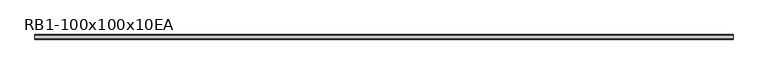
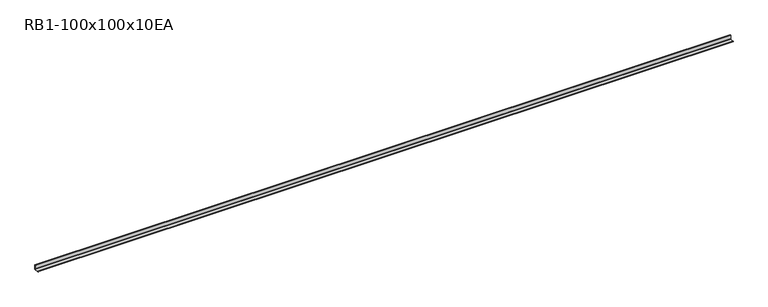
"""IFC4 building model written with IfcOpenShell, lengths in millimetres: member geometry, RB1-100x100x10EA."""

import ifcopenshell
import ifcopenshell.guid

model = None  # the IFC model being written
_history = None  # IfcOwnerHistory: only IFC2X3 demands one
_inside = {}  # id of a spatial element -> (the spatial element, [elements in it])
_under = {}  # id of a project, library or spatial element -> (it, [spatial elements below it])
_declared = {}  # id of a project -> (the project, [libraries it declares])
_typed = {}  # id of a type object -> (the type object, [elements of that type])
_made_of = {}  # id of a material, layer set ... -> (it, [elements and type objects made of it])


def new_model(schema):
    """Start an empty IFC model of exactly this schema.

    Asked for "IFC4X3", IfcOpenShell would pick the latest addendum, in which some entities
    have other attributes; the version numbers below select the first issue.
    IFC2X3 requires an IfcOwnerHistory on every rooted entity: one is made here for all.
    """
    global model, _history
    if schema == "IFC4X3":
        model = ifcopenshell.file(schema_version=(4, 3, 0, 0))
    else:
        model = ifcopenshell.file(schema=schema)
    _inside.clear()
    _under.clear()
    _declared.clear()
    _typed.clear()
    _made_of.clear()
    _history = None
    if model.schema == "IFC2X3":
        org = make("IfcOrganization", Name="unknown")
        user = make(
            "IfcPersonAndOrganization",
            ThePerson=make("IfcPerson", FamilyName="unknown"),
            TheOrganization=org,
        )
        app = make(
            "IfcApplication",
            ApplicationDeveloper=org,
            Version="unknown",
            ApplicationFullName="unknown",
            ApplicationIdentifier="unknown",
        )
        _history = make(
            "IfcOwnerHistory",
            OwningUser=user,
            OwningApplication=app,
            ChangeAction="ADDED",
            CreationDate=0,
        )
    return model


def make(cls, **values):
    """One entity of the class cls with the attributes given. An attribute that is None is left unset."""
    return model.create_entity(
        cls, **{name: value for name, value in values.items() if value is not None}
    )


def rooted(cls, **values):
    """An entity with a GlobalId (a new one), such as an element, a storey or a relation."""
    return make(cls, GlobalId=ifcopenshell.guid.new(), OwnerHistory=_history, **values)


def si_unit(unit_type, name, prefix=None):
    """IfcSIUnit, for example si_unit("LENGTHUNIT", "METRE", prefix="MILLI")."""
    return make("IfcSIUnit", UnitType=unit_type, Prefix=prefix, Name=name)


def assignment(units):
    """IfcUnitAssignment: the units of a project."""
    return None if units is None else make("IfcUnitAssignment", Units=units)


def point(xyz):
    """IfcCartesianPoint."""
    return None if xyz is None else make("IfcCartesianPoint", Coordinates=xyz)


def direction(xyz):
    """IfcDirection."""
    return None if xyz is None else make("IfcDirection", DirectionRatios=xyz)


def frame(location, z_axis=None, x_axis=None):
    """IfcAxis2Placement3D, a coordinate frame: its origin and axes. An axis left out is left unset."""
    return make(
        "IfcAxis2Placement3D",
        Location=point(location),
        Axis=direction(z_axis),
        RefDirection=direction(x_axis),
    )


def frame_2d(location, x_axis=None):
    """IfcAxis2Placement2D, a coordinate frame in the plane: its origin and x axis."""
    return make(
        "IfcAxis2Placement2D", Location=point(location), RefDirection=direction(x_axis)
    )


def origin():
    """The frame at (0, 0, 0) with its axes left unset."""
    return frame((0.0, 0.0, 0.0))


def place(relative_to, where):
    """IfcLocalPlacement: puts the frame where relative to a parent placement (None: the world)."""
    return make(
        "IfcLocalPlacement", PlacementRelTo=relative_to, RelativePlacement=where
    )


def context(
    kind, dimensions, precision=None, world=None, true_north=None, identifier=None
):
    """IfcGeometricRepresentationContext, for example the 3D "Model" context."""
    return make(
        "IfcGeometricRepresentationContext",
        ContextIdentifier=identifier,
        ContextType=kind,
        CoordinateSpaceDimension=dimensions,
        Precision=precision,
        WorldCoordinateSystem=world,
        TrueNorth=true_north,
    )


def project(units=None, contexts=None):
    """IfcProject with its units and contexts."""
    return rooted(
        "IfcProject",
        Name="project",
        RepresentationContexts=contexts,
        UnitsInContext=assignment(units),
    )


def spatial(cls, under=None, at=None, **own):
    """A site, building, storey or space (cls), placed at a placement, below another one or the project."""
    s = rooted(cls, ObjectPlacement=at, **own)
    if under is not None:
        _under.setdefault(under.id(), (under, []))[1].append(s)
    return s


def polyline(points):
    """IfcPolyline through the points."""
    return make("IfcPolyline", Points=[point(p) for p in points])


def circle_curve(where, radius):
    """IfcCircle in the frame where."""
    return make("IfcCircle", Position=where, Radius=radius)


def trimmed(basis, trim1, trim2, sense, master):
    """IfcTrimmedCurve: the piece of a basis curve between two trims."""
    return make(
        "IfcTrimmedCurve",
        BasisCurve=basis,
        Trim1=trim1,
        Trim2=trim2,
        SenseAgreement=sense,
        MasterRepresentation=master,
    )


def segment(curve, same_sense, transition):
    """IfcCompositeCurveSegment."""
    return make(
        "IfcCompositeCurveSegment",
        Transition=transition,
        SameSense=same_sense,
        ParentCurve=curve,
    )


def composite_curve(segments, self_intersect=None):
    """IfcCompositeCurve: segments joined end to end."""
    return make("IfcCompositeCurve", Segments=segments, SelfIntersect=self_intersect)


def outline(outer, holes=None, kind="AREA"):
    """IfcArbitraryClosedProfileDef: a profile drawn as a closed curve; with holes, ...WithVoids."""
    if holes is None:
        return make("IfcArbitraryClosedProfileDef", ProfileType=kind, OuterCurve=outer)
    return make(
        "IfcArbitraryProfileDefWithVoids",
        ProfileType=kind,
        OuterCurve=outer,
        InnerCurves=holes,
    )


def extrude(swept, where, along, depth):
    """IfcExtrudedAreaSolid: the profile swept, set in the frame where, extruded along a direction by depth."""
    return make(
        "IfcExtrudedAreaSolid",
        SweptArea=swept,
        Position=where,
        ExtrudedDirection=direction(along),
        Depth=depth,
    )


def shape(context_of_items, identifier, shape_type, items):
    """IfcShapeRepresentation: the items that make up one representation, for example the "Body"."""
    return make(
        "IfcShapeRepresentation",
        ContextOfItems=context_of_items,
        RepresentationIdentifier=identifier,
        RepresentationType=shape_type,
        Items=items,
    )


def source(mapping_origin, context_of_items, identifier, shape_type, items):
    """IfcRepresentationMap: a shape defined once, which mapped items show again and again."""
    return make(
        "IfcRepresentationMap",
        MappingOrigin=mapping_origin,
        MappedRepresentation=shape(context_of_items, identifier, shape_type, items),
    )


def transform(
    local_origin,
    x_axis=None,
    y_axis=None,
    z_axis=None,
    scale=None,
    scale2=None,
    scale3=None,
    uniform=True,
):
    """IfcCartesianTransformationOperator3D, or its non-uniform kind. x_axis, y_axis, z_axis: its Axis1, 2, 3."""
    if uniform:
        return make(
            "IfcCartesianTransformationOperator3D",
            Axis1=direction(x_axis),
            Axis2=direction(y_axis),
            LocalOrigin=point(local_origin),
            Scale=scale,
            Axis3=direction(z_axis),
        )
    return make(
        "IfcCartesianTransformationOperator3DnonUniform",
        Axis1=direction(x_axis),
        Axis2=direction(y_axis),
        LocalOrigin=point(local_origin),
        Scale=scale,
        Axis3=direction(z_axis),
        Scale2=scale2,
        Scale3=scale3,
    )


def mapped(mapping_source, mapping_target):
    """IfcMappedItem: shows the shape of a source again, moved by a transform."""
    return make(
        "IfcMappedItem", MappingSource=mapping_source, MappingTarget=mapping_target
    )


def made_of(thing, what):
    """Note that an element or type object is made of a material, layer set ...; save() writes the relation."""
    if what is not None:
        _made_of.setdefault(what.id(), (what, []))[1].append(thing)
    return thing


def element(
    cls,
    number,
    at=None,
    inside=None,
    cuts=None,
    type_object=None,
    material=None,
    context=None,
    identifier="Body",
    shape_type=None,
    held_by="IfcProductDefinitionShape",
    body=None,
    shapes=None,
    **own,
):
    """One element of the class cls, such as IfcWall. Its Tag is "e" and its number.

    at: its placement. inside: the storey or other place that contains it. cuts: it is an
    opening in that element (IfcRelVoidsElement). A single representation is given by context,
    identifier, shape_type and body (its items); several are given by shapes. held_by: the class
    of the entity that holds the representations. save() writes the other relations.
    """
    e = rooted(cls, Tag="e%d" % number, ObjectPlacement=at, **own)
    if body is not None:
        shapes = [shape(context, identifier, shape_type, body)]
    if shapes is not None:
        e.Representation = make(held_by, Representations=shapes)
    if inside is not None:
        _inside.setdefault(inside.id(), (inside, []))[1].append(e)
    if cuts is not None:
        rooted(
            "IfcRelVoidsElement", RelatingBuildingElement=cuts, RelatedOpeningElement=e
        )
    if type_object is not None:
        _typed.setdefault(type_object.id(), (type_object, []))[1].append(e)
    return made_of(e, material)


def aggregate(whole, parts):
    """IfcRelAggregates: a whole, such as a stair, and the parts it consists of."""
    return rooted("IfcRelAggregates", RelatingObject=whole, RelatedObjects=parts)


def save(model, path):
    """Write the relations noted so far, then the file.

    IfcRelAggregates (storeys below a building ...), IfcRelContainedInSpatialStructure (elements
    in a storey), IfcRelDefinesByType, IfcRelAssociatesMaterial and IfcRelDeclares: one each for
    every whole, place, type object, material and project.
    """
    for whole, parts in _under.values():
        aggregate(whole, parts)
    for where, things in _inside.values():
        rooted(
            "IfcRelContainedInSpatialStructure",
            RelatedElements=things,
            RelatingStructure=where,
        )
    for kind, things in _typed.values():
        rooted("IfcRelDefinesByType", RelatedObjects=things, RelatingType=kind)
    for what, things in _made_of.values():
        rooted("IfcRelAssociatesMaterial", RelatedObjects=things, RelatingMaterial=what)
    for by, libraries in _declared.values():
        rooted("IfcRelDeclares", RelatingContext=by, RelatedDefinitions=libraries)
    model.write(path)


def rb1_100x100x10ea_1d33364b(model_context):
    return source(origin(), model_context, "Body", "SweptSolid", [
        extrude(outline(composite_curve([segment(polyline([(28.2, -28.2), (-71.8, -28.2), (-71.8, -23.2)]), True, "CONTINUOUS"), segment(trimmed(circle_curve(frame_2d((-66.8, -23.2)), 5.0), [point((-71.8, -23.2))], [point((-66.8, -18.2))], False, "CARTESIAN"), True, "CONTINUOUS"), segment(polyline([(-66.8, -18.2), (10.2, -18.2)]), True, "CONTINUOUS"), segment(trimmed(circle_curve(frame_2d((10.2, -10.2)), 8.0), [point((10.2, -18.2))], [point((18.2, -10.2))], True, "CARTESIAN"), True, "CONTINUOUS"), segment(polyline([(18.2, -10.2), (18.2, 66.8)]), True, "CONTINUOUS"), segment(trimmed(circle_curve(frame_2d((23.2, 66.8)), 5.0), [point((18.2, 66.8))], [point((23.2, 71.8))], False, "CARTESIAN"), True, "CONTINUOUS"), segment(polyline([(23.2, 71.8), (28.2, 71.8), (28.2, -28.2)]), True, "CONTINUOUS")], self_intersect=False)), frame((-7284.9463139, 0.0, 0.0), z_axis=(1.0, 0.0, 0.0), x_axis=(0.0, 1.0, 0.0)), (0.0, 0.0, 1.0), 14923.9463139),
    ])


if __name__ == "__main__":
    model = new_model("IFC4")
    model_context = context("Model", 3, world=origin())
    ifc_project = project(units=[si_unit("LENGTHUNIT", "METRE", prefix="MILLI")], contexts=[model_context])
    site = spatial("IfcSite", under=ifc_project)
    building = spatial("IfcBuilding", under=site)
    placement = place(None, origin())
    rb1_100x100x10ea_shape = rb1_100x100x10ea_1d33364b(model_context)
    element("IfcMember", 1, ObjectType="RB1-100x100x10EA", at=placement, inside=building, context=model_context, shape_type="MappedRepresentation", body=[
        mapped(rb1_100x100x10ea_shape, transform((0.0, 0.0, 0.0), x_axis=(1.0, 0.0, 0.0), y_axis=(0.0, 1.0, 0.0), z_axis=(0.0, 0.0, 1.0))),
    ])
    save(model, "model.ifc")
